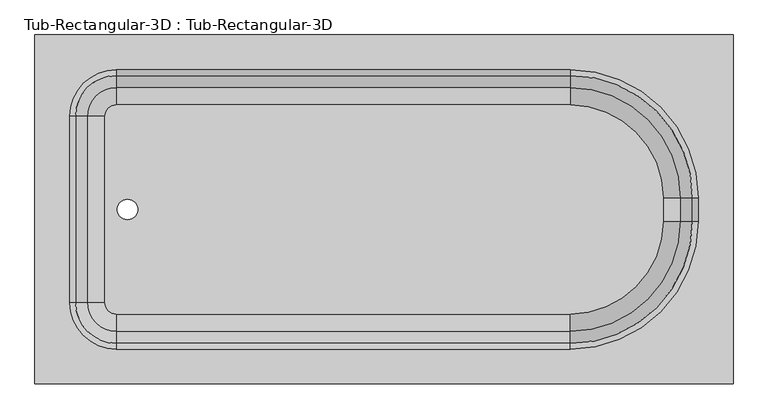
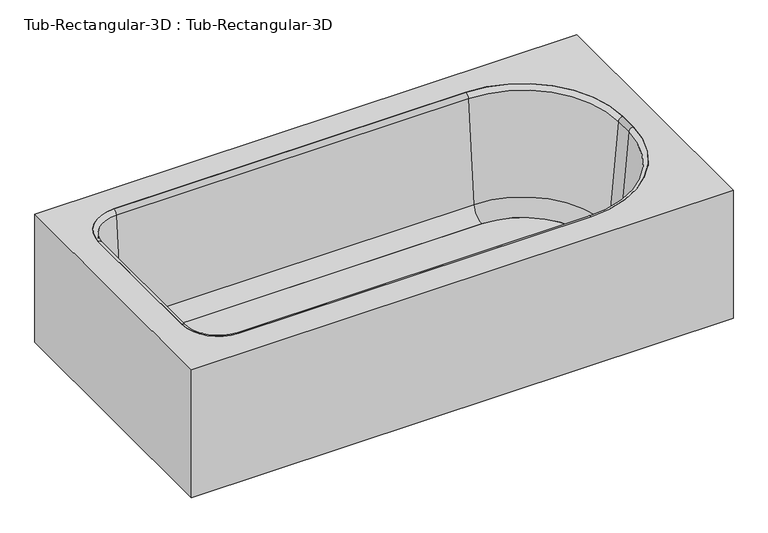
"""IFC4 building model written with IfcOpenShell, lengths in millimetres: flow terminal geometry, Tub-Rectangular-3D : Tub-Rectangular-3D."""

from ifc_helpers import new_model, si_unit, point, frame, frame_2d, origin, place, context, project, spatial, polyline, circle_curve, ellipse_curve, trimmed, segment, composite_curve, outline, extrude, source, transform, mapped, element, save
from ifc_brep_helpers import plane_surface, cylinder_surface, revolved_surface, advanced_brep


def tub_rectangular_3d_tub_rectangular_3d_cbc2c449(model_context):
    return source(origin(), model_context, "Body", "SolidModel", [
        advanced_brep(
        [(413.3970313, -819.15, 381.0), (413.3970313, -57.15, 381.0), (-1110.6029687, -57.15, 381.0), (-1110.6029687, -819.15, 381.0), (-932.8029687, -742.95, 381.0), (-1034.4029687, -641.35, 381.0), (-1034.4029687, -234.95, 381.0), (-932.8029687, -133.35, 381.0), (57.7970313, -133.35, 381.0), (337.1970313, -412.75, 381.0), (337.1970313, -463.55, 381.0), (57.7970313, -742.95, 381.0), (394.3470313, -800.1, 361.95), (-1091.5529687, -800.1, 361.95), (-1091.5529687, -76.2, 361.95), (394.3470313, -76.2, 361.95), (-932.8029687, -742.95, 361.95), (57.7970313, -742.95, 361.95), (337.1970313, -463.55, 361.95), (337.1970313, -412.75, 361.95), (57.7970313, -133.35, 361.95), (-932.8029687, -133.35, 361.95), (-1034.4029687, -234.95, 361.95), (-1034.4029687, -641.35, 361.95), (-1110.6029687, -819.15, 0.0), (413.3970313, -819.15, 0.0), (-1110.6029687, -57.15, 0.0), (413.3970313, -57.15, 0.0), (394.3470313, -800.1, 0.0), (394.3470313, -76.2, 0.0), (-1091.5529687, -76.2, 0.0), (-1091.5529687, -800.1, 0.0)],
        [
            (0, 1),
            (1, 2),
            (2, 3),
            (3, 0),
            (4, 5, circle_curve(frame((-932.8029687, -641.35, 381.0), z_axis=(0.0, 0.0, -1.0), x_axis=(0.0, -1.0, 0.0)), 101.6)),
            (5, 6),
            (6, 7, circle_curve(frame((-932.8029687, -234.95, 381.0), z_axis=(0.0, 0.0, -1.0), x_axis=(0.0, -1.0, 0.0)), 101.6)),
            (7, 8),
            (8, 9, circle_curve(frame((57.7970313, -412.75, 381.0), z_axis=(0.0, 0.0, -1.0), x_axis=(0.0, -1.0, 0.0)), 279.4)),
            (9, 10),
            (10, 11, circle_curve(frame((57.7970313, -463.55, 381.0), z_axis=(0.0, 0.0, -1.0), x_axis=(0.0, -1.0, 0.0)), 279.4)),
            (11, 4),
            (12, 13),
            (13, 14),
            (14, 15),
            (15, 12),
            (16, 17),
            (17, 18, circle_curve(frame((57.7970313, -463.55, 361.95), z_axis=(0.0, 0.0, 1.0), x_axis=(0.0, -1.0, 0.0)), 279.4)),
            (18, 19),
            (19, 20, circle_curve(frame((57.7970313, -412.75, 361.95), z_axis=(0.0, 0.0, 1.0), x_axis=(0.0, -1.0, 0.0)), 279.4)),
            (20, 21),
            (21, 22, circle_curve(frame((-932.8029687, -234.95, 361.95), z_axis=(0.0, 0.0, 1.0), x_axis=(0.0, -1.0, 0.0)), 101.6)),
            (22, 23),
            (23, 16, circle_curve(frame((-932.8029687, -641.35, 361.95), z_axis=(0.0, 0.0, 1.0), x_axis=(0.0, -1.0, 0.0)), 101.6)),
            (3, 24),
            (24, 25),
            (25, 0),
            (2, 26),
            (26, 24),
            (1, 27),
            (27, 26),
            (25, 27),
            (11, 17),
            (16, 4),
            (10, 18),
            (9, 19),
            (8, 20),
            (7, 21),
            (6, 22),
            (5, 23),
            (28, 29),
            (29, 30),
            (30, 31),
            (31, 28),
            (28, 12),
            (15, 29),
            (14, 30),
            (13, 31),
        ],
        [
            plane_surface(frame((-1110.6029687, -819.15, 381.0), z_axis=(0.0, 0.0, 1.0), x_axis=(-1.0, 0.0, 0.0))),
            plane_surface(frame((-1110.6029687, -819.15, 361.95), z_axis=(0.0, 0.0, -1.0), x_axis=(1.0, 0.0, 0.0))),
            plane_surface(frame((413.3970313, -819.15, 381.0), z_axis=(0.0, -1.0, 0.0), x_axis=(0.0, 0.0, -1.0))),
            plane_surface(frame((-1110.6029687, -819.15, 381.0), z_axis=(-1.0, 0.0, 0.0), x_axis=(0.0, 0.0, -1.0))),
            plane_surface(frame((-1110.6029687, -57.15, 381.0), z_axis=(0.0, 1.0, 0.0), x_axis=(0.0, 0.0, -1.0))),
            plane_surface(frame((413.3970313, -57.15, 381.0), z_axis=(1.0, 0.0, 0.0), x_axis=(0.0, 0.0, -1.0))),
            plane_surface(frame((-932.8029687, -742.95, 381.0), z_axis=(0.0, 1.0, 0.0), x_axis=(0.0, 0.0, -1.0))),
            revolved_surface(polyline([(57.7970313, -742.95, 361.95), (57.7970313, -742.95, 381.0)]), (57.7970313, -463.55, 381.0), (0.0, 0.0, -1.0)),
            plane_surface(frame((337.1970313, -463.55, 381.0), z_axis=(-1.0, 0.0, 0.0), x_axis=(0.0, 0.0, -1.0))),
            revolved_surface(polyline([(57.7970313, -692.15, 361.95), (57.7970313, -692.15, 381.0)]), (57.7970313, -412.75, 381.0), (0.0, 0.0, -1.0)),
            plane_surface(frame((57.7970313, -133.35, 381.0), z_axis=(0.0, -1.0, 0.0), x_axis=(0.0, 0.0, -1.0))),
            revolved_surface(polyline([(-932.8029687, -336.54999999999995, 361.95), (-932.8029687, -336.54999999999995, 381.0)]), (-932.8029687, -234.95, 381.0), (0.0, 0.0, -1.0)),
            plane_surface(frame((-1034.4029687, -234.95, 381.0), z_axis=(1.0, 0.0, 0.0), x_axis=(0.0, 0.0, -1.0))),
            revolved_surface(polyline([(-932.8029687, -742.95, 361.95), (-932.8029687, -742.95, 381.0)]), (-932.8029687, -641.35, 381.0), (0.0, 0.0, -1.0)),
            plane_surface(frame((-1110.6029687, -819.15, 0.0), z_axis=(0.0, 0.0, -1.0), x_axis=(1.0, 0.0, 0.0))),
            plane_surface(frame((394.3470313, -800.1, 361.95), z_axis=(-1.0, 0.0, 0.0), x_axis=(0.0, 0.0, -1.0))),
            plane_surface(frame((394.3470313, -76.2, 361.95), z_axis=(0.0, -1.0, 0.0), x_axis=(0.0, 0.0, -1.0))),
            plane_surface(frame((-1091.5529687, -76.2, 361.95), z_axis=(1.0, 0.0, 0.0), x_axis=(0.0, 0.0, -1.0))),
            plane_surface(frame((-1091.5529687, -800.1, 361.95), z_axis=(0.0, 1.0, 0.0), x_axis=(0.0, 0.0, -1.0))),
        ],
        [
            (0, [[1, 2, 3, 4], [5, 6, 7, 8, 9, 10, 11, 12]]),
            (1, [[13, 14, 15, 16], [17, 18, 19, 20, 21, 22, 23, 24]]),
            (2, [[25, 26, 27, -4]]),
            (3, [[28, 29, -25, -3]]),
            (4, [[30, 31, -28, -2]]),
            (5, [[32, -30, -1, -27]]),
            (6, [[33, -17, 34, -12]]),
            (7, [[35, -18, -33, -11]]),
            (8, [[36, -19, -35, -10]]),
            (9, [[37, -20, -36, -9]]),
            (10, [[38, -21, -37, -8]]),
            (11, [[39, -22, -38, -7]]),
            (12, [[40, -23, -39, -6]]),
            (13, [[-34, -24, -40, -5]]),
            (14, [[-26, -29, -31, -32], [41, 42, 43, 44]]),
            (15, [[45, -16, 46, -41]]),
            (16, [[-46, -15, 47, -42]]),
            (17, [[-47, -14, 48, -43]]),
            (18, [[-48, -13, -45, -44]]),
        ],
    ),
        extrude(outline(composite_curve([segment(polyline([(57.7970313, -666.3464741), (-932.8029687, -666.3464741)]), True, "CONTINUOUS"), segment(trimmed(circle_curve(frame_2d((-932.8029687, -641.35)), 24.9964741), [point((-932.8029687, -666.3464741))], [point((-957.7994428, -641.35))], False, "CARTESIAN"), True, "CONTINUOUS"), segment(polyline([(-957.7994428, -641.35), (-957.7994428, -234.95)]), True, "CONTINUOUS"), segment(trimmed(circle_curve(frame_2d((-932.8029687, -234.95)), 24.9964741), [point((-957.7994428, -234.95))], [point((-932.8029687, -209.9535259))], False, "CARTESIAN"), True, "CONTINUOUS"), segment(polyline([(-932.8029687, -209.9535259), (57.7970313, -209.9535259)]), True, "CONTINUOUS"), segment(trimmed(circle_curve(frame_2d((57.7970313, -412.75)), 202.7964741), [point((57.7970313, -209.9535259))], [point((260.5935054, -412.75))], False, "CARTESIAN"), True, "CONTINUOUS"), segment(polyline([(260.5935054, -412.75), (260.5935054, -463.55)]), True, "CONTINUOUS"), segment(trimmed(circle_curve(frame_2d((57.7970313, -463.55)), 202.7964741), [point((260.5935054, -463.55))], [point((57.7970313, -666.3464741))], False, "CARTESIAN"), True, "CONTINUOUS")], self_intersect=False), holes=[composite_curve([segment(trimmed(circle_curve(frame_2d((-908.510206, -438.15)), 22.225), [point((-908.510206, -460.375))], [point((-908.510206, -415.925))], True, "CARTESIAN"), True, "CONTINUOUS"), segment(trimmed(circle_curve(frame_2d((-908.510206, -438.15)), 22.225), [point((-908.510206, -415.925))], [point((-908.510206, -460.375))], True, "CARTESIAN"), True, "CONTINUOUS")], self_intersect=False)]), frame((0.0, 0.0, 16.863573), z_axis=(0.0, 0.0, 1.0), x_axis=(1.0, 0.0, 0.0)), (0.0, 0.0, 1.0), 19.05),
        advanced_brep(
        [(-995.7544608, -641.35, 70.6929392), (-1021.9249722, -641.35, 369.8232535), (-932.8029687, -730.4720035, 369.8232535), (-932.8029687, -704.3014921, 70.6929392), (-957.7994428, -641.35, 35.913573), (-932.8029687, -666.3464741, 35.913573), (-957.7994428, -641.35, 16.863573), (-932.8029687, -666.3464741, 16.863573), (-1034.4029687, -641.35, 16.863573), (-932.8029687, -742.95, 16.863573), (-1034.4029687, -641.35, 381.0), (-932.8029687, -742.95, 381.0), (-995.7544608, -234.95, 70.6929392), (-1021.9249722, -234.95, 369.8232535), (-957.7994428, -234.95, 35.913573), (-957.7994428, -234.95, 16.863573), (-1034.4029687, -234.95, 16.863573), (-1034.4029687, -234.95, 381.0), (-932.8029687, -171.9985079, 70.6929392), (-932.8029687, -145.8279965, 369.8232535), (-932.8029687, -209.9535259, 35.913573), (-932.8029687, -209.9535259, 16.863573), (-932.8029687, -133.35, 16.863573), (-932.8029687, -133.35, 381.0), (57.7970313, -171.9985079, 70.6929392), (57.7970313, -145.8279965, 369.8232535), (57.7970313, -209.9535259, 35.913573), (57.7970313, -209.9535259, 16.863573), (57.7970313, -133.35, 16.863573), (57.7970313, -133.35, 381.0), (298.5485234, -412.75, 70.6929392), (324.7190348, -412.75, 369.8232535), (260.5935054, -412.75, 35.913573), (260.5935054, -412.75, 16.863573), (337.1970313, -412.75, 16.863573), (337.1970313, -412.75, 381.0), (298.5485234, -463.55, 70.6929392), (324.7190348, -463.55, 369.8232535), (260.5935054, -463.55, 35.913573), (260.5935054, -463.55, 16.863573), (337.1970313, -463.55, 16.863573), (337.1970313, -463.55, 381.0), (57.7970313, -704.3014921, 70.6929392), (57.7970313, -730.4720035, 369.8232535), (57.7970313, -666.3464741, 35.913573), (57.7970313, -666.3464741, 16.863573), (57.7970313, -742.95, 16.863573), (57.7970313, -742.95, 381.0)],
        [
            (0, 1),
            (1, 2, circle_curve(frame((-932.8029687, -641.35, 369.8232535), z_axis=(0.0, 0.0, 1.0), x_axis=(0.0, -1.0, 0.0)), 89.1220035)),
            (2, 3),
            (3, 0, circle_curve(frame((-932.8029687, -641.35, 70.6929392), z_axis=(0.0, 0.0, -1.0), x_axis=(0.0, -1.0, 0.0)), 62.9514921)),
            (4, 0, circle_curve(frame((-957.7994428, -641.35, 74.013573), z_axis=(0.0, 1.0, 0.0), x_axis=(1.0, 0.0, 0.0)), 38.1)),
            (3, 5, circle_curve(frame((-932.8029687, -666.3464741, 74.013573), z_axis=(1.0, 0.0, 0.0), x_axis=(0.0, 1.0, 0.0)), 38.1)),
            (5, 4, circle_curve(frame((-932.8029687, -641.35, 35.913573), z_axis=(0.0, 0.0, -1.0), x_axis=(0.0, -1.0, 0.0)), 24.9964741)),
            (6, 4),
            (5, 7),
            (7, 6, circle_curve(frame((-932.8029687, -641.35, 16.863573), z_axis=(0.0, 0.0, -1.0), x_axis=(0.0, -1.0, 0.0)), 24.9964741)),
            (8, 6),
            (7, 9),
            (9, 8, circle_curve(frame((-932.8029687, -641.35, 16.863573), z_axis=(0.0, 0.0, -1.0), x_axis=(0.0, -1.0, 0.0)), 101.6)),
            (10, 8),
            (9, 11),
            (11, 10, circle_curve(frame((-932.8029687, -641.35, 381.0), z_axis=(0.0, 0.0, -1.0), x_axis=(0.0, -1.0, 0.0)), 101.6)),
            (1, 10, circle_curve(frame((-1034.4029687, -641.35, 368.4462547), z_axis=(0.0, -1.0, 0.0), x_axis=(1.0, 0.0, 0.0)), 12.5537453)),
            (11, 2, circle_curve(frame((-932.8029687, -742.95, 368.4462547), z_axis=(-1.0, 0.0, 0.0), x_axis=(0.0, 1.0, 0.0)), 12.5537453)),
            (0, 12),
            (12, 13),
            (13, 1),
            (4, 14),
            (14, 12, circle_curve(frame((-957.7994428, -234.95, 74.013573), z_axis=(0.0, 1.0, 0.0), x_axis=(1.0, 0.0, 0.0)), 38.1)),
            (6, 15),
            (15, 14),
            (8, 16),
            (16, 15),
            (10, 17),
            (17, 16),
            (13, 17, circle_curve(frame((-1034.4029687, -234.95, 368.4462547), z_axis=(0.0, -1.0, 0.0), x_axis=(1.0, 0.0, 0.0)), 12.5537453)),
            (18, 19),
            (19, 13, circle_curve(frame((-932.8029687, -234.95, 369.8232535), z_axis=(0.0, 0.0, 1.0), x_axis=(-1.0, 0.0, 0.0)), 89.1220035)),
            (12, 18, circle_curve(frame((-932.8029687, -234.95, 70.6929392), z_axis=(0.0, 0.0, -1.0), x_axis=(-1.0, 0.0, 0.0)), 62.9514921)),
            (20, 18, circle_curve(frame((-932.8029687, -209.9535259, 74.013573), z_axis=(1.0, 0.0, 0.0), x_axis=(0.0, -1.0, 0.0)), 38.1)),
            (14, 20, circle_curve(frame((-932.8029687, -234.95, 35.913573), z_axis=(0.0, 0.0, -1.0), x_axis=(-1.0, 0.0, 0.0)), 24.9964741)),
            (21, 20),
            (15, 21, circle_curve(frame((-932.8029687, -234.95, 16.863573), z_axis=(0.0, 0.0, -1.0), x_axis=(-1.0, 0.0, 0.0)), 24.9964741)),
            (22, 21),
            (16, 22, circle_curve(frame((-932.8029687, -234.95, 16.863573), z_axis=(0.0, 0.0, -1.0), x_axis=(-1.0, 0.0, 0.0)), 101.6)),
            (23, 22),
            (17, 23, circle_curve(frame((-932.8029687, -234.95, 381.0), z_axis=(0.0, 0.0, -1.0), x_axis=(-1.0, 0.0, 0.0)), 101.6)),
            (19, 23, circle_curve(frame((-932.8029687, -133.35, 368.4462547), z_axis=(-1.0, 0.0, 0.0), x_axis=(0.0, -1.0, 0.0)), 12.5537453)),
            (18, 24),
            (24, 25),
            (25, 19),
            (20, 26),
            (26, 24, circle_curve(frame((57.7970313, -209.9535259, 74.013573), z_axis=(1.0, 0.0, 0.0), x_axis=(0.0, -1.0, 0.0)), 38.1)),
            (21, 27),
            (27, 26),
            (22, 28),
            (28, 27),
            (23, 29),
            (29, 28),
            (25, 29, circle_curve(frame((57.7970313, -133.35, 368.4462547), z_axis=(-1.0, 0.0, 0.0), x_axis=(0.0, -1.0, 0.0)), 12.5537453)),
            (30, 31),
            (31, 25, circle_curve(frame((57.7970313, -412.75, 369.8232535), z_axis=(0.0, 0.0, 1.0), x_axis=(0.0, 1.0, 0.0)), 266.9220035)),
            (24, 30, circle_curve(frame((57.7970313, -412.75, 70.6929392), z_axis=(0.0, 0.0, -1.0), x_axis=(0.0, 1.0, 0.0)), 240.7514921)),
            (32, 30, circle_curve(frame((260.5935054, -412.75, 74.013573), z_axis=(0.0, -1.0, 0.0), x_axis=(-1.0, 0.0, 0.0)), 38.1)),
            (26, 32, circle_curve(frame((57.7970313, -412.75, 35.913573), z_axis=(0.0, 0.0, -1.0), x_axis=(0.0, 1.0, 0.0)), 202.7964741)),
            (33, 32),
            (27, 33, circle_curve(frame((57.7970313, -412.75, 16.863573), z_axis=(0.0, 0.0, -1.0), x_axis=(0.0, 1.0, 0.0)), 202.7964741)),
            (34, 33),
            (28, 34, circle_curve(frame((57.7970313, -412.75, 16.863573), z_axis=(0.0, 0.0, -1.0), x_axis=(0.0, 1.0, 0.0)), 279.4)),
            (35, 34),
            (29, 35, circle_curve(frame((57.7970313, -412.75, 381.0), z_axis=(0.0, 0.0, -1.0), x_axis=(0.0, 1.0, 0.0)), 279.4)),
            (31, 35, circle_curve(frame((337.1970313, -412.75, 368.4462547), z_axis=(0.0, 1.0, 0.0), x_axis=(-1.0, 0.0, 0.0)), 12.5537453)),
            (30, 36),
            (36, 37),
            (37, 31),
            (32, 38),
            (38, 36, circle_curve(frame((260.5935054, -463.55, 74.013573), z_axis=(0.0, -1.0, 0.0), x_axis=(-1.0, 0.0, 0.0)), 38.1)),
            (33, 39),
            (39, 38),
            (34, 40),
            (40, 39),
            (35, 41),
            (41, 40),
            (37, 41, circle_curve(frame((337.1970313, -463.55, 368.4462547), z_axis=(0.0, 1.0, 0.0), x_axis=(-1.0, 0.0, 0.0)), 12.5537453)),
            (42, 43),
            (43, 37, circle_curve(frame((57.7970313, -463.55, 369.8232535), z_axis=(0.0, 0.0, 1.0), x_axis=(1.0, 0.0, 0.0)), 266.9220035)),
            (36, 42, circle_curve(frame((57.7970313, -463.55, 70.6929392), z_axis=(0.0, 0.0, -1.0), x_axis=(1.0, 0.0, 0.0)), 240.7514921)),
            (44, 42, circle_curve(frame((57.7970313, -666.3464741, 74.013573), z_axis=(-1.0, 0.0, 0.0), x_axis=(0.0, 1.0, 0.0)), 38.1)),
            (38, 44, circle_curve(frame((57.7970313, -463.55, 35.913573), z_axis=(0.0, 0.0, -1.0), x_axis=(1.0, 0.0, 0.0)), 202.7964741)),
            (45, 44),
            (39, 45, circle_curve(frame((57.7970313, -463.55, 16.863573), z_axis=(0.0, 0.0, -1.0), x_axis=(1.0, 0.0, 0.0)), 202.7964741)),
            (46, 45),
            (40, 46, circle_curve(frame((57.7970313, -463.55, 16.863573), z_axis=(0.0, 0.0, -1.0), x_axis=(1.0, 0.0, 0.0)), 279.4)),
            (47, 46),
            (41, 47, circle_curve(frame((57.7970313, -463.55, 381.0), z_axis=(0.0, 0.0, -1.0), x_axis=(1.0, 0.0, 0.0)), 279.4)),
            (43, 47, circle_curve(frame((57.7970313, -742.95, 368.4462547), z_axis=(1.0, 0.0, 0.0), x_axis=(0.0, 1.0, 0.0)), 12.5537453)),
            (42, 3),
            (2, 43),
            (44, 5),
            (45, 7),
            (46, 9),
            (47, 11),
        ],
        [
            revolved_surface(polyline([(-932.8029687, -730.4720035, 369.8232535), (-932.8029687, -704.3014921, 70.6929392)]), (-932.8029687, -641.35, 381.0), (0.0, 0.0, 1.0)),
            revolved_surface(trimmed(ellipse_curve(frame((-932.8029687, -666.3464741, 74.013573), z_axis=(1.0, 0.0, 0.0), x_axis=(0.0, 1.0, 0.0)), 38.1, 38.1), [point((-932.8029687, -704.3014921, 70.6929392))], [point((-932.8029687, -666.3464741, 35.913573))], True, "CARTESIAN"), (-932.8029687, -641.35, 381.0), (0.0, 0.0, 1.0)),
            revolved_surface(polyline([(-932.8029687, -666.3464741, 35.913572999999985), (-932.8029687, -666.3464741, 16.863572999999974)]), (-932.8029687, -641.35, 381.0), (0.0, 0.0, 1.0)),
            plane_surface(frame((-932.8029687, -641.35, 16.863573), z_axis=(0.0, 0.0, -1.0), x_axis=(0.0, -1.0, 0.0))),
            cylinder_surface(frame((-932.8029687, -641.35, 381.0), z_axis=(0.0, 0.0, 1.0), x_axis=(0.0, -1.0, 0.0)), 101.6),
            revolved_surface(trimmed(ellipse_curve(frame((-932.8029687, -742.95, 368.4462547), z_axis=(-1.0, 0.0, 0.0), x_axis=(0.0, 1.0, 0.0)), 12.5537453, 12.5537453), [point((-932.8029687, -742.95, 381.0))], [point((-932.8029687, -730.4720035, 369.8232535))], True, "CARTESIAN"), (-932.8029687, -641.35, 381.0), (0.0, 0.0, 1.0)),
            plane_surface(frame((-1021.9249722, -641.35, 369.8232535), z_axis=(0.9961946980917458, 0.0, 0.08715574274765589), x_axis=(0.0, 1.0, 0.0))),
            revolved_surface(polyline([(-919.6994427999999, -234.95, 74.013573), (-919.6994427999999, -641.35, 74.013573)]), (-957.7994428, -641.35, 74.013573), (0.0, 1.0, 0.0)),
            plane_surface(frame((-957.7994428, -641.35, 35.913573), z_axis=(1.0, 0.0, 0.0), x_axis=(0.0, 1.0, 0.0))),
            plane_surface(frame((-957.7994428, -641.35, 16.863573), z_axis=(0.0, 0.0, -1.0), x_axis=(0.0, 1.0, 0.0))),
            plane_surface(frame((-1034.4029687, -641.35, 16.863573), z_axis=(-1.0, 0.0, 0.0), x_axis=(0.0, 1.0, 0.0))),
            cylinder_surface(frame((-1034.4029687, -641.35, 368.4462547), z_axis=(0.0, -1.0, 0.0), x_axis=(1.0, 0.0, 0.0)), 12.5537453),
            revolved_surface(polyline([(-1021.9249722, -234.95, 369.8232535), (-995.7544608, -234.95, 70.6929392)]), (-932.8029687, -234.95, 381.0), (0.0, 0.0, 1.0)),
            revolved_surface(trimmed(ellipse_curve(frame((-957.7994428, -234.95, 74.013573), z_axis=(0.0, -1.0, 0.0), x_axis=(1.0, 0.0, 0.0)), 38.1, 38.1), [point((-995.7544608, -234.95, 70.6929392))], [point((-957.7994428, -234.95, 35.913573))], True, "CARTESIAN"), (-932.8029687, -234.95, 381.0), (0.0, 0.0, 1.0)),
            revolved_surface(polyline([(-957.7994428, -234.95, 35.913572999999985), (-957.7994428, -234.95, 16.863572999999974)]), (-932.8029687, -234.95, 381.0), (0.0, 0.0, 1.0)),
            plane_surface(frame((-932.8029687, -234.95, 16.863573), z_axis=(0.0, 0.0, -1.0), x_axis=(-1.0, 0.0, 0.0))),
            cylinder_surface(frame((-932.8029687, -234.95, 381.0), z_axis=(0.0, 0.0, 1.0), x_axis=(-1.0, 0.0, 0.0)), 101.6),
            revolved_surface(trimmed(ellipse_curve(frame((-1034.4029687, -234.95, 368.4462547), z_axis=(0.0, 1.0, 0.0), x_axis=(1.0, 0.0, 0.0)), 12.5537453, 12.5537453), [point((-1034.4029687, -234.95, 381.0))], [point((-1021.9249722, -234.95, 369.8232535))], True, "CARTESIAN"), (-932.8029687, -234.95, 381.0), (0.0, 0.0, 1.0)),
            plane_surface(frame((-932.8029687, -145.8279965, 369.8232535), z_axis=(0.0, -0.9961946980917461, 0.08715574274765266), x_axis=(1.0, 0.0, 0.0))),
            revolved_surface(polyline([(57.79703129999996, -248.05352589999998, 74.013573), (-932.8029687, -248.05352589999998, 74.013573)]), (-932.8029687, -209.9535259, 74.013573), (1.0, 0.0, 0.0)),
            plane_surface(frame((-932.8029687, -209.9535259, 35.913573), z_axis=(0.0, -1.0, 0.0), x_axis=(1.0, 0.0, 0.0))),
            plane_surface(frame((-932.8029687, -209.9535259, 16.863573), z_axis=(0.0, 0.0, -1.0), x_axis=(1.0, 0.0, 0.0))),
            plane_surface(frame((-932.8029687, -133.35, 16.863573), z_axis=(0.0, 1.0, 0.0), x_axis=(1.0, 0.0, 0.0))),
            cylinder_surface(frame((-932.8029687, -133.35, 368.4462547), z_axis=(-1.0, 0.0, 0.0), x_axis=(0.0, -1.0, 0.0)), 12.5537453),
            revolved_surface(polyline([(57.7970313, -145.8279965, 369.8232535), (57.7970313, -171.9985079, 70.6929392)]), (57.7970313, -412.75, 381.0), (0.0, 0.0, 1.0)),
            revolved_surface(trimmed(ellipse_curve(frame((57.7970313, -209.9535259, 74.013573), z_axis=(-1.0, 0.0, 0.0), x_axis=(0.0, -1.0, 0.0)), 38.1, 38.1), [point((57.7970313, -171.9985079, 70.6929392))], [point((57.7970313, -209.9535259, 35.913573))], True, "CARTESIAN"), (57.7970313, -412.75, 381.0), (0.0, 0.0, 1.0)),
            revolved_surface(polyline([(57.7970313, -209.9535259, 35.913572999999985), (57.7970313, -209.9535259, 16.863572999999974)]), (57.7970313, -412.75, 381.0), (0.0, 0.0, 1.0)),
            plane_surface(frame((57.7970313, -412.75, 16.863573), z_axis=(0.0, 0.0, -1.0), x_axis=(0.0, 1.0, 0.0))),
            cylinder_surface(frame((57.7970313, -412.75, 381.0), z_axis=(0.0, 0.0, 1.0), x_axis=(0.0, 1.0, 0.0)), 279.4),
            revolved_surface(trimmed(ellipse_curve(frame((57.7970313, -133.35, 368.4462547), z_axis=(1.0, 0.0, 0.0), x_axis=(0.0, -1.0, 0.0)), 12.5537453, 12.5537453), [point((57.7970313, -133.35, 381.0))], [point((57.7970313, -145.8279965, 369.8232535))], True, "CARTESIAN"), (57.7970313, -412.75, 381.0), (0.0, 0.0, 1.0)),
            plane_surface(frame((324.7190348, -412.75, 369.8232535), z_axis=(-0.9961946980917464, 0.0, 0.08715574274764942), x_axis=(0.0, -1.0, 0.0))),
            revolved_surface(polyline([(222.49350540000003, -463.55, 74.013573), (222.49350540000003, -412.75, 74.013573)]), (260.5935054, -412.75, 74.013573), (0.0, -1.0, 0.0)),
            plane_surface(frame((260.5935054, -412.75, 35.913573), z_axis=(-1.0, 0.0, 0.0), x_axis=(0.0, -1.0, 0.0))),
            plane_surface(frame((260.5935054, -412.75, 16.863573), z_axis=(0.0, 0.0, -1.0), x_axis=(0.0, -1.0, 0.0))),
            plane_surface(frame((337.1970313, -412.75, 16.863573), z_axis=(1.0, 0.0, 0.0), x_axis=(0.0, -1.0, 0.0))),
            cylinder_surface(frame((337.1970313, -412.75, 368.4462547), z_axis=(0.0, 1.0, 0.0), x_axis=(-1.0, 0.0, 0.0)), 12.5537453),
            revolved_surface(polyline([(324.7190348, -463.55, 369.8232535), (298.5485234, -463.55, 70.6929392)]), (57.7970313, -463.55, 381.0), (0.0, 0.0, 1.0)),
            revolved_surface(trimmed(ellipse_curve(frame((260.5935054, -463.55, 74.013573), z_axis=(0.0, 1.0, 0.0), x_axis=(-1.0, 0.0, 0.0)), 38.1, 38.1), [point((298.5485234, -463.55, 70.6929392))], [point((260.5935054, -463.55, 35.913573))], True, "CARTESIAN"), (57.7970313, -463.55, 381.0), (0.0, 0.0, 1.0)),
            revolved_surface(polyline([(260.5935054, -463.55, 35.913572999999985), (260.5935054, -463.55, 16.863572999999974)]), (57.7970313, -463.55, 381.0), (0.0, 0.0, 1.0)),
            plane_surface(frame((57.7970313, -463.55, 16.863573), z_axis=(0.0, 0.0, -1.0), x_axis=(1.0, 0.0, 0.0))),
            cylinder_surface(frame((57.7970313, -463.55, 381.0), z_axis=(0.0, 0.0, 1.0), x_axis=(1.0, 0.0, 0.0)), 279.4),
            revolved_surface(trimmed(ellipse_curve(frame((337.1970313, -463.55, 368.4462547), z_axis=(0.0, -1.0, 0.0), x_axis=(-1.0, 0.0, 0.0)), 12.5537453, 12.5537453), [point((337.1970313, -463.55, 381.0))], [point((324.7190348, -463.55, 369.8232535))], True, "CARTESIAN"), (57.7970313, -463.55, 381.0), (0.0, 0.0, 1.0)),
            plane_surface(frame((57.7970313, -730.4720035, 369.8232535), z_axis=(0.0, 0.9961946980917461, 0.08715574274765266), x_axis=(-1.0, 0.0, 0.0))),
            revolved_surface(polyline([(-932.8029687, -628.2464741, 74.013573), (57.7970313, -628.2464741, 74.013573)]), (57.7970313, -666.3464741, 74.013573), (-1.0, 0.0, 0.0)),
            plane_surface(frame((57.7970313, -666.3464741, 35.913573), z_axis=(0.0, 1.0, 0.0), x_axis=(-1.0, 0.0, 0.0))),
            plane_surface(frame((57.7970313, -666.3464741, 16.863573), z_axis=(0.0, 0.0, -1.0), x_axis=(-1.0, 0.0, 0.0))),
            plane_surface(frame((57.7970313, -742.95, 16.863573), z_axis=(0.0, -1.0, 0.0), x_axis=(-1.0, 0.0, 0.0))),
            cylinder_surface(frame((57.7970313, -742.95, 368.4462547), z_axis=(1.0, 0.0, 0.0), x_axis=(0.0, 1.0, 0.0)), 12.5537453),
        ],
        [
            (0, [[1, 2, 3, 4]]),
            (1, [[5, -4, 6, 7]]),
            (2, [[8, -7, 9, 10]]),
            (3, [[11, -10, 12, 13]]),
            (4, [[14, -13, 15, 16]]),
            (5, [[17, -16, 18, -2]]),
            (6, [[19, 20, 21, -1]]),
            (7, [[22, 23, -19, -5]]),
            (8, [[24, 25, -22, -8]]),
            (9, [[26, 27, -24, -11]]),
            (10, [[28, 29, -26, -14]]),
            (11, [[-21, 30, -28, -17]]),
            (12, [[31, 32, -20, 33]]),
            (13, [[34, -33, -23, 35]]),
            (14, [[36, -35, -25, 37]]),
            (15, [[38, -37, -27, 39]]),
            (16, [[40, -39, -29, 41]]),
            (17, [[42, -41, -30, -32]]),
            (18, [[43, 44, 45, -31]]),
            (19, [[46, 47, -43, -34]]),
            (20, [[48, 49, -46, -36]]),
            (21, [[50, 51, -48, -38]]),
            (22, [[52, 53, -50, -40]]),
            (23, [[-45, 54, -52, -42]]),
            (24, [[55, 56, -44, 57]]),
            (25, [[58, -57, -47, 59]]),
            (26, [[60, -59, -49, 61]]),
            (27, [[62, -61, -51, 63]]),
            (28, [[64, -63, -53, 65]]),
            (29, [[66, -65, -54, -56]]),
            (30, [[67, 68, 69, -55]]),
            (31, [[70, 71, -67, -58]]),
            (32, [[72, 73, -70, -60]]),
            (33, [[74, 75, -72, -62]]),
            (34, [[76, 77, -74, -64]]),
            (35, [[-69, 78, -76, -66]]),
            (36, [[79, 80, -68, 81]]),
            (37, [[82, -81, -71, 83]]),
            (38, [[84, -83, -73, 85]]),
            (39, [[86, -85, -75, 87]]),
            (40, [[88, -87, -77, 89]]),
            (41, [[90, -89, -78, -80]]),
            (42, [[91, -3, 92, -79]]),
            (43, [[93, -6, -91, -82]]),
            (44, [[94, -9, -93, -84]]),
            (45, [[95, -12, -94, -86]]),
            (46, [[96, -15, -95, -88]]),
            (47, [[-92, -18, -96, -90]]),
        ],
    ),
    ])


if __name__ == "__main__":
    model = new_model("IFC4")
    model_context = context("Model", 3, world=origin())
    ifc_project = project(units=[si_unit("LENGTHUNIT", "METRE", prefix="MILLI")], contexts=[model_context])
    site = spatial("IfcSite", under=ifc_project)
    building = spatial("IfcBuilding", under=site)
    placement = place(None, origin())
    tub_rectangular_3d_tub_rectangular_3d_shape = tub_rectangular_3d_tub_rectangular_3d_cbc2c449(model_context)
    element("IfcFlowTerminal", 1, ObjectType="Tub-Rectangular-3D : Tub-Rectangular-3D", at=placement, inside=building, context=model_context, shape_type="MappedRepresentation", body=[
        mapped(tub_rectangular_3d_tub_rectangular_3d_shape, transform((0.0, 0.0, 0.0), x_axis=(1.0, 0.0, 0.0), y_axis=(0.0, 1.0, 0.0), z_axis=(0.0, 0.0, 1.0))),
    ])
    save(model, "model.ifc")
